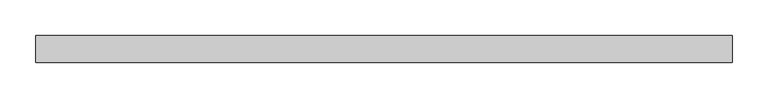
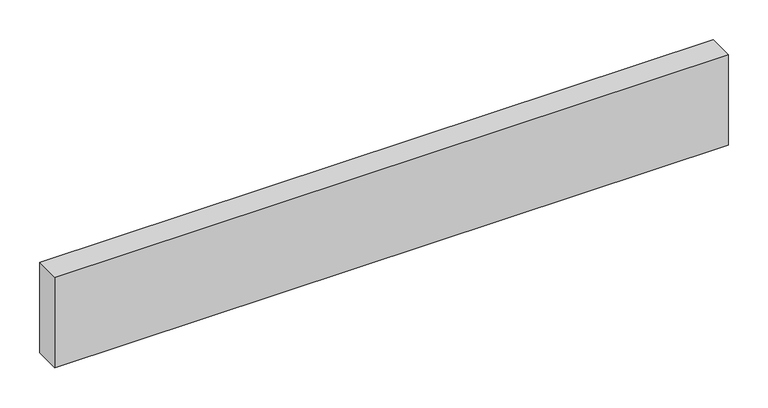
"""IFC4 building model written with IfcOpenShell, lengths in millimetres: beam geometry."""

from ifc_helpers import new_model, si_unit, frame, origin, place, context, project, spatial, polyline, outline, extrude, source, transform, mapped, element, save


def beam_2f830fdc(model_context):
    return source(origin(), model_context, "Body", "SweptSolid", [
        extrude(outline(polyline([(490.8351562, -19.05), (-490.8351563, -19.05), (-490.8351563, 19.05), (490.8351562, 19.05), (490.8351562, -19.05)])), frame((0.0, 0.0, -69.85), z_axis=(0.0, 0.0, 1.0), x_axis=(1.0, 0.0, 0.0)), (0.0, 0.0, 1.0), 139.7),
    ])


if __name__ == "__main__":
    model = new_model("IFC4")
    model_context = context("Model", 3, world=origin())
    ifc_project = project(units=[si_unit("LENGTHUNIT", "METRE", prefix="MILLI")], contexts=[model_context])
    site = spatial("IfcSite", under=ifc_project)
    building = spatial("IfcBuilding", under=site)
    placement = place(None, origin())
    beam_shape = beam_2f830fdc(model_context)
    element("IfcBeam", 1, at=placement, inside=building, context=model_context, shape_type="MappedRepresentation", body=[
        mapped(beam_shape, transform((0.0, 0.0, 0.0), x_axis=(1.0, 0.0, 0.0), y_axis=(0.0, 1.0, 0.0), z_axis=(0.0, 0.0, 1.0))),
    ])
    save(model, "model.ifc")
